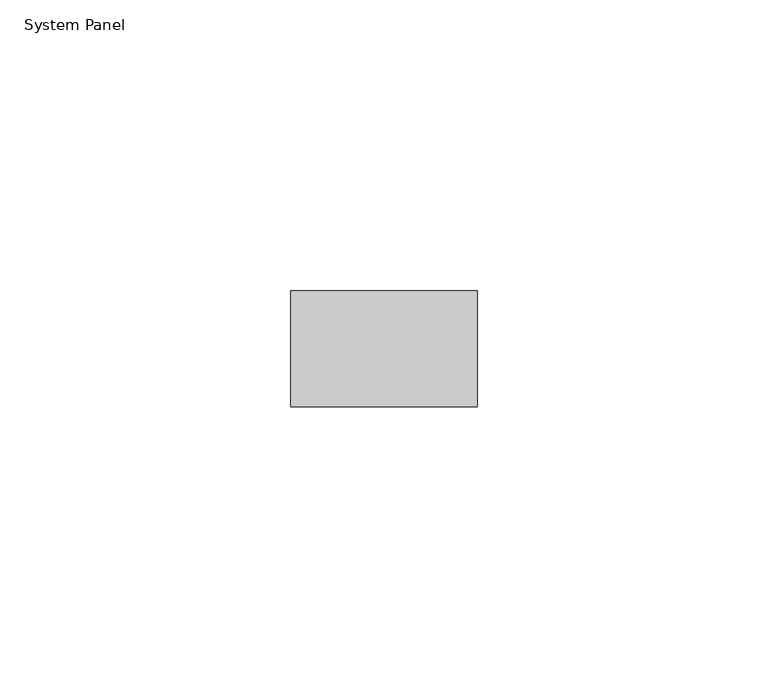
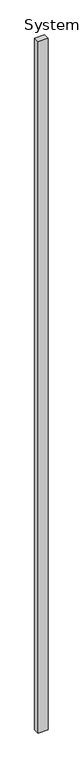
"""IFC4 building model written with IfcOpenShell, lengths in millimetres: plate geometry, System Panel."""

from ifc_helpers import new_model, si_unit, origin, origin_with_axes, place, context, project, spatial, polyline, outline, extrude, source, transform, mapped, element, save


def system_panel_c2f63d42(model_context):
    return source(origin(), model_context, "Body", "SweptSolid", [
        extrude(outline(polyline([(16.0671366, -10.0), (-16.0671366, -10.0), (-16.0671366, 10.0), (16.0671366, 10.0), (16.0671366, -10.0)])), origin_with_axes(), (0.0, 0.0, 1.0), 2400.0),
    ])


if __name__ == "__main__":
    model = new_model("IFC4")
    model_context = context("Model", 3, world=origin())
    ifc_project = project(units=[si_unit("LENGTHUNIT", "METRE", prefix="MILLI")], contexts=[model_context])
    site = spatial("IfcSite", under=ifc_project)
    building = spatial("IfcBuilding", under=site)
    placement = place(None, origin())
    system_panel_shape = system_panel_c2f63d42(model_context)
    element("IfcPlate", 1, ObjectType="System Panel", at=placement, inside=building, context=model_context, shape_type="MappedRepresentation", body=[
        mapped(system_panel_shape, transform((0.0, 0.0, 0.0), x_axis=(1.0, 0.0, 0.0), y_axis=(0.0, 1.0, 0.0), z_axis=(0.0, 0.0, 1.0))),
    ])
    save(model, "model.ifc")
